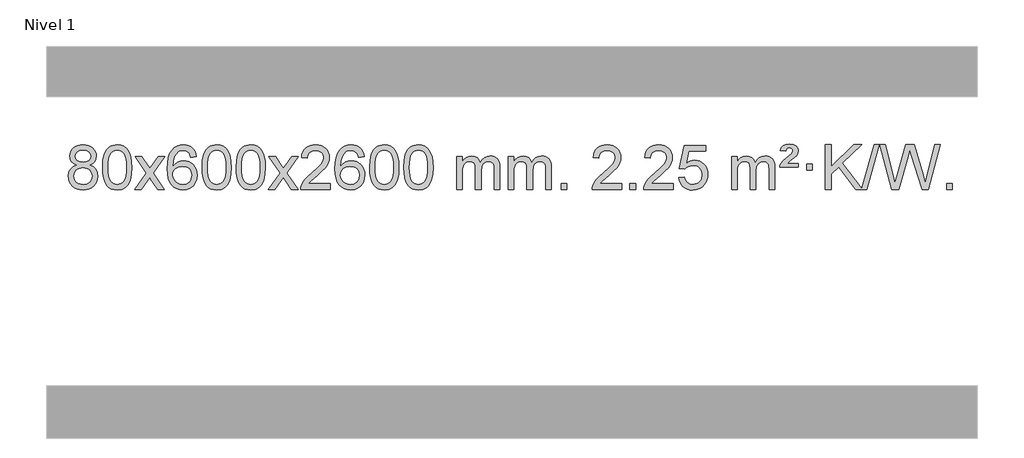
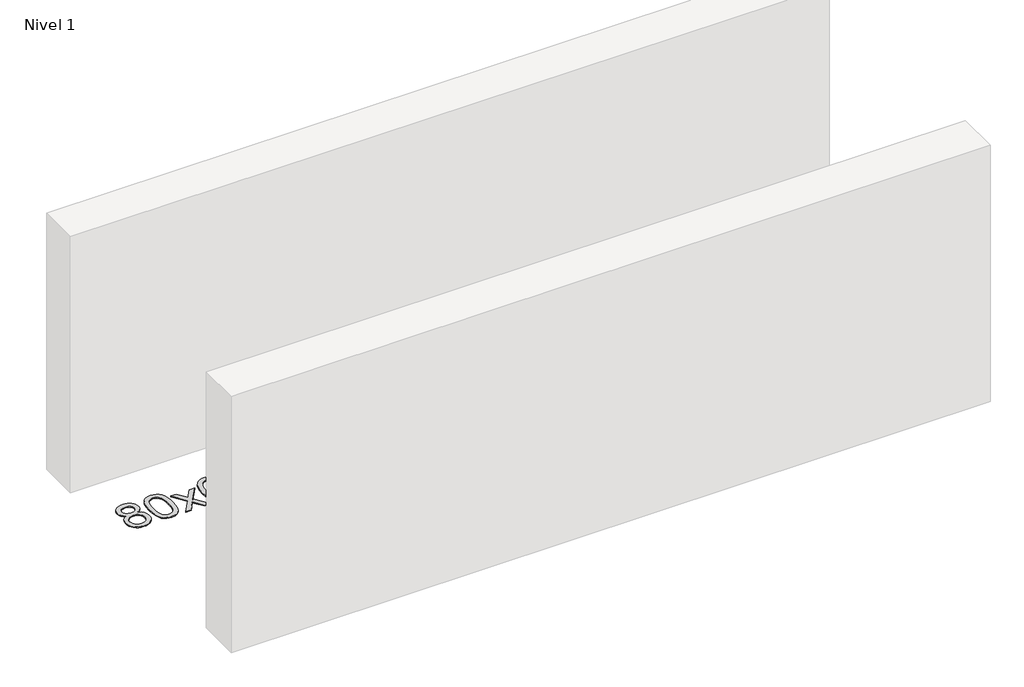
# One storey, part 7 of 8: 1 proxy.
"""IFC4 building model written with IfcOpenShell, lengths in millimetres."""

import ifcopenshell
import ifcopenshell.guid

model = None  # the IFC model being written
_history = None  # IfcOwnerHistory: only IFC2X3 demands one
_inside = {}  # id of a spatial element -> (the spatial element, [elements in it])
_under = {}  # id of a project, library or spatial element -> (it, [spatial elements below it])
_declared = {}  # id of a project -> (the project, [libraries it declares])
_typed = {}  # id of a type object -> (the type object, [elements of that type])
_made_of = {}  # id of a material, layer set ... -> (it, [elements and type objects made of it])


def new_model(schema):
    """Start an empty IFC model of exactly this schema.

    Asked for "IFC4X3", IfcOpenShell would pick the latest addendum, in which some entities
    have other attributes; the version numbers below select the first issue.
    IFC2X3 requires an IfcOwnerHistory on every rooted entity: one is made here for all.
    """
    global model, _history
    if schema == "IFC4X3":
        model = ifcopenshell.file(schema_version=(4, 3, 0, 0))
    else:
        model = ifcopenshell.file(schema=schema)
    _inside.clear()
    _under.clear()
    _declared.clear()
    _typed.clear()
    _made_of.clear()
    _history = None
    if model.schema == "IFC2X3":
        org = make("IfcOrganization", Name="unknown")
        user = make(
            "IfcPersonAndOrganization",
            ThePerson=make("IfcPerson", FamilyName="unknown"),
            TheOrganization=org,
        )
        app = make(
            "IfcApplication",
            ApplicationDeveloper=org,
            Version="unknown",
            ApplicationFullName="unknown",
            ApplicationIdentifier="unknown",
        )
        _history = make(
            "IfcOwnerHistory",
            OwningUser=user,
            OwningApplication=app,
            ChangeAction="ADDED",
            CreationDate=0,
        )
    return model


def make(cls, **values):
    """One entity of the class cls with the attributes given. An attribute that is None is left unset."""
    return model.create_entity(
        cls, **{name: value for name, value in values.items() if value is not None}
    )


def rooted(cls, **values):
    """An entity with a GlobalId (a new one), such as an element, a storey or a relation."""
    return make(cls, GlobalId=ifcopenshell.guid.new(), OwnerHistory=_history, **values)


def si_unit(unit_type, name, prefix=None):
    """IfcSIUnit, for example si_unit("LENGTHUNIT", "METRE", prefix="MILLI")."""
    return make("IfcSIUnit", UnitType=unit_type, Prefix=prefix, Name=name)


def assignment(units):
    """IfcUnitAssignment: the units of a project."""
    return None if units is None else make("IfcUnitAssignment", Units=units)


def point(xyz):
    """IfcCartesianPoint."""
    return None if xyz is None else make("IfcCartesianPoint", Coordinates=xyz)


def direction(xyz):
    """IfcDirection."""
    return None if xyz is None else make("IfcDirection", DirectionRatios=xyz)


def frame(location, z_axis=None, x_axis=None):
    """IfcAxis2Placement3D, a coordinate frame: its origin and axes. An axis left out is left unset."""
    return make(
        "IfcAxis2Placement3D",
        Location=point(location),
        Axis=direction(z_axis),
        RefDirection=direction(x_axis),
    )


def origin():
    """The frame at (0, 0, 0) with its axes left unset."""
    return frame((0.0, 0.0, 0.0))


def origin_with_axes():
    """The frame at (0, 0, 0) with the z axis (0, 0, 1) and the x axis (1, 0, 0) written out."""
    return frame((0.0, 0.0, 0.0), z_axis=(0.0, 0.0, 1.0), x_axis=(1.0, 0.0, 0.0))


def place(relative_to, where):
    """IfcLocalPlacement: puts the frame where relative to a parent placement (None: the world)."""
    return make(
        "IfcLocalPlacement", PlacementRelTo=relative_to, RelativePlacement=where
    )


def context(
    kind, dimensions, precision=None, world=None, true_north=None, identifier=None
):
    """IfcGeometricRepresentationContext, for example the 3D "Model" context."""
    return make(
        "IfcGeometricRepresentationContext",
        ContextIdentifier=identifier,
        ContextType=kind,
        CoordinateSpaceDimension=dimensions,
        Precision=precision,
        WorldCoordinateSystem=world,
        TrueNorth=true_north,
    )


def project(units=None, contexts=None):
    """IfcProject with its units and contexts."""
    return rooted(
        "IfcProject",
        Name="project",
        RepresentationContexts=contexts,
        UnitsInContext=assignment(units),
    )


def spatial(cls, under=None, at=None, **own):
    """A site, building, storey or space (cls), placed at a placement, below another one or the project."""
    s = rooted(cls, ObjectPlacement=at, **own)
    if under is not None:
        _under.setdefault(under.id(), (under, []))[1].append(s)
    return s


def polyline(points):
    """IfcPolyline through the points."""
    return make("IfcPolyline", Points=[point(p) for p in points])


def outline(outer, holes=None, kind="AREA"):
    """IfcArbitraryClosedProfileDef: a profile drawn as a closed curve; with holes, ...WithVoids."""
    if holes is None:
        return make("IfcArbitraryClosedProfileDef", ProfileType=kind, OuterCurve=outer)
    return make(
        "IfcArbitraryProfileDefWithVoids",
        ProfileType=kind,
        OuterCurve=outer,
        InnerCurves=holes,
    )


def extrude(swept, where, along, depth):
    """IfcExtrudedAreaSolid: the profile swept, set in the frame where, extruded along a direction by depth."""
    return make(
        "IfcExtrudedAreaSolid",
        SweptArea=swept,
        Position=where,
        ExtrudedDirection=direction(along),
        Depth=depth,
    )


def shape(context_of_items, identifier, shape_type, items):
    """IfcShapeRepresentation: the items that make up one representation, for example the "Body"."""
    return make(
        "IfcShapeRepresentation",
        ContextOfItems=context_of_items,
        RepresentationIdentifier=identifier,
        RepresentationType=shape_type,
        Items=items,
    )


def made_of(thing, what):
    """Note that an element or type object is made of a material, layer set ...; save() writes the relation."""
    if what is not None:
        _made_of.setdefault(what.id(), (what, []))[1].append(thing)
    return thing


def element(
    cls,
    number,
    at=None,
    inside=None,
    cuts=None,
    type_object=None,
    material=None,
    context=None,
    identifier="Body",
    shape_type=None,
    held_by="IfcProductDefinitionShape",
    body=None,
    shapes=None,
    **own,
):
    """One element of the class cls, such as IfcWall. Its Tag is "e" and its number.

    at: its placement. inside: the storey or other place that contains it. cuts: it is an
    opening in that element (IfcRelVoidsElement). A single representation is given by context,
    identifier, shape_type and body (its items); several are given by shapes. held_by: the class
    of the entity that holds the representations. save() writes the other relations.
    """
    e = rooted(cls, Tag="e%d" % number, ObjectPlacement=at, **own)
    if body is not None:
        shapes = [shape(context, identifier, shape_type, body)]
    if shapes is not None:
        e.Representation = make(held_by, Representations=shapes)
    if inside is not None:
        _inside.setdefault(inside.id(), (inside, []))[1].append(e)
    if cuts is not None:
        rooted(
            "IfcRelVoidsElement", RelatingBuildingElement=cuts, RelatedOpeningElement=e
        )
    if type_object is not None:
        _typed.setdefault(type_object.id(), (type_object, []))[1].append(e)
    return made_of(e, material)


def aggregate(whole, parts):
    """IfcRelAggregates: a whole, such as a stair, and the parts it consists of."""
    return rooted("IfcRelAggregates", RelatingObject=whole, RelatedObjects=parts)


def save(model, path):
    """Write the relations noted so far, then the file.

    IfcRelAggregates (storeys below a building ...), IfcRelContainedInSpatialStructure (elements
    in a storey), IfcRelDefinesByType, IfcRelAssociatesMaterial and IfcRelDeclares: one each for
    every whole, place, type object, material and project.
    """
    for whole, parts in _under.values():
        aggregate(whole, parts)
    for where, things in _inside.values():
        rooted(
            "IfcRelContainedInSpatialStructure",
            RelatedElements=things,
            RelatingStructure=where,
        )
    for kind, things in _typed.values():
        rooted("IfcRelDefinesByType", RelatedObjects=things, RelatingType=kind)
    for what, things in _made_of.values():
        rooted("IfcRelAssociatesMaterial", RelatedObjects=things, RelatingMaterial=what)
    for by, libraries in _declared.values():
        rooted("IfcRelDeclares", RelatingContext=by, RelatedDefinitions=libraries)
    model.write(path)


model = new_model("IFC4")

# Units and contexts
model_context = context("Model", 3, world=origin())
ifc_project = project(units=[si_unit("LENGTHUNIT", "METRE", prefix="MILLI")], contexts=[model_context])

# Site, building, storey
site = spatial("IfcSite", under=ifc_project)
building = spatial("IfcBuilding", under=site)
storey = spatial("IfcBuildingStorey", under=building, Name="Nivel 1", Elevation=0.0)

# Proxy
placement = place(None, origin())
element("IfcBuildingElementProxy", 1, Name="Texto de modelo 1", ObjectType="Texto de modelo 1", at=placement, inside=storey, context=model_context, shape_type="SweptSolid", body=[
    extrude(outline(polyline([(-13206.7901143, 2866.7009514), (-13233.6822881, 2879.9447033), (-13252.5546345, 2897.8973446), (-13263.7014589, 2920.1909935), (-13267.4170671, 2946.457768), (-13265.3937161, 2966.9426637), (-13259.3236632, 2985.7230396), (-13249.2069083, 3002.7988955), (-13235.0434515, 3018.1702316), (-13217.5138744, 3030.8744231), (-13197.2987588, 3039.9488457), (-13174.3981046, 3045.3934992), (-13148.8119118, 3047.2083837), (-13123.1030917, 3045.3505797), (-13100.0307593, 3039.7771674), (-13079.5949144, 3030.488147), (-13061.7955572, 3017.4835185), (-13047.374583, 3001.8117455), (-13037.0738872, 2984.5212918), (-13030.8934696, 2965.6121572), (-13028.8333305, 2945.0843419), (-13032.4998877, 2919.663696), (-13043.4995593, 2897.7501918), (-13061.9549728, 2879.9079151), (-13087.9887553, 2866.7009514), (-13057.074405, 2850.771661), (-13034.5722896, 2827.3130525), (-13020.8502912, 2797.4532972), (-13016.2762917, 2762.3205667), (-13018.5448973, 2737.2678028), (-13025.3507143, 2714.2997036), (-13036.6937424, 2693.416269), (-13052.5739819, 2674.617499), (-13072.1575668, 2659.0806161), (-13094.6106312, 2647.9828426), (-13119.9331752, 2641.3241785), (-13148.1251988, 2639.1046237), (-13176.3172223, 2641.3333755), (-13201.6397663, 2648.0196308), (-13224.0928308, 2659.1633895), (-13243.6764157, 2674.7646518), (-13259.5566551, 2693.6952461), (-13270.8996833, 2714.8270011), (-13277.7055002, 2738.1599166), (-13279.9741058, 2763.6939928), (-13275.2161654, 2800.1878867), (-13260.942344, 2830.2070575), (-13237.8884056, 2852.7214356), (-13206.7901143, 2866.7009514)]), holes=[polyline([(-13217.188912, 2944.98624), (-13212.7375399, 2923.0604731), (-13199.3834234, 2905.5492901), (-13177.5189702, 2894.0713719), (-13147.5365876, 2890.2453991), (-13118.2531808, 2894.0468464), (-13096.7198213, 2905.4511883), (-13083.4760695, 2922.37376), (-13079.0614855, 2942.7298971), (-13083.6232223, 2963.8585864), (-13097.3084325, 2981.3329811), (-13119.1360976, 2993.0684168), (-13148.1251988, 2996.9802287), (-13177.298241, 2993.1542559), (-13199.0891178, 2981.6763377), (-13212.6639635, 2964.8518677), (-13217.188912, 2944.98624)]), polyline([(-13229.7459508, 2765.4598264), (-13227.6490234, 2746.2441235), (-13221.3582413, 2727.6415573), (-13209.745433, 2711.4179613), (-13191.682427, 2699.3391691), (-13170.0509657, 2691.8343764), (-13147.7327913, 2689.3327788), (-13113.5442912, 2694.5934914), (-13099.6506145, 2701.169382), (-13087.8906534, 2710.3756289), (-13071.8509984, 2734.2756959), (-13066.5044468, 2763.8901965), (-13072.0226767, 2794.0074692), (-13088.5773665, 2818.4348337), (-13100.6561587, 2827.8771382), (-13114.8196155, 2834.6216414), (-13149.400523, 2840.017244), (-13183.1107765, 2834.6952178), (-13196.8481034, 2828.0426851), (-13208.5068969, 2818.7291393), (-13224.4361873, 2794.7677586), (-13229.7459508, 2765.4598264)])]), origin_with_axes(), (0.0, 0.0, 1.0), 10.0),
    extrude(outline(polyline([(-12972.326656, 2843.0584019), (-12968.6355733, 2907.3764374), (-12957.5623253, 2958.6714502), (-12939.2172764, 2997.7282554), (-12927.3592135, 3012.9616357), (-12913.7107915, 3025.3316677), (-12898.2260251, 3034.902731), (-12880.8589293, 3041.7392047), (-12840.4777489, 3047.2083837), (-12809.5266104, 3043.9710222), (-12781.8128334, 3034.2589375), (-12758.6362678, 3018.4522744), (-12741.296763, 2996.9311777), (-12728.200164, 2969.8795883), (-12717.7523154, 2937.4814473), (-12710.9097102, 2896.3399775), (-12708.6288419, 2843.0584019), (-12712.2831364, 2779.1082484), (-12723.2460198, 2727.9358628), (-12741.480704, 2688.8422695), (-12753.3111759, 2673.562904), (-12766.9504008, 2661.1284925), (-12782.4535613, 2651.4930499), (-12799.8758394, 2644.6105909), (-12840.4777489, 2639.1046237), (-12868.142475, 2641.4958567), (-12892.6679413, 2648.6695556), (-12914.054148, 2660.6257205), (-12932.3010949, 2677.3643512), (-12949.8122779, 2707.6226453), (-12962.3202657, 2745.3244185), (-12969.8250584, 2790.4696707), (-12972.326656, 2843.0584019)]), holes=[polyline([(-12922.0985009, 2843.1565037), (-12920.626973, 2799.4919766), (-12916.212389, 2764.1477139), (-12908.8547491, 2737.1237157), (-12898.5540532, 2718.4199819), (-12886.0951163, 2705.6943306), (-12872.2627533, 2696.6045796), (-12857.0569642, 2691.150729), (-12840.4777489, 2689.3327788), (-12823.8985337, 2691.1568604), (-12808.6927446, 2696.6291051), (-12794.8603815, 2705.7495129), (-12782.4014446, 2718.5180838), (-12772.1007488, 2737.2524744), (-12764.7431089, 2764.2703412), (-12760.3285249, 2799.5716844), (-12758.8569969, 2843.1565037), (-12760.279474, 2885.6652683), (-12764.5469051, 2920.3871973), (-12771.6592904, 2947.3222907), (-12781.6166297, 2966.4705485), (-12793.8671002, 2979.8185336), (-12807.8588787, 2989.3528086), (-12823.5919654, 2995.0733736), (-12841.0663601, 2996.9802287), (-12857.5597363, 2995.3002342), (-12872.508008, 2990.2602509), (-12885.9111753, 2981.8602787), (-12897.7692383, 2970.1003175), (-12908.4132907, 2949.2536711), (-12916.0161853, 2921.1474867), (-12920.577922, 2885.7817642), (-12922.0985009, 2843.1565037)])]), origin_with_axes(), (0.0, 0.0, 1.0), 10.0),
    extrude(outline(polyline([(-12683.5147643, 2645.3831431), (-12576.1913236, 2793.7131636), (-12677.236245, 2940.4735542), (-12616.8054959, 2940.4735542), (-12568.0488688, 2869.8402111), (-12545.289236, 2836.4855769), (-12525.5707611, 2863.7578955), (-12470.0451053, 2940.4735542), (-12409.6143562, 2940.4735542), (-12515.7605745, 2793.7131636), (-12413.5384308, 2645.3831431), (-12473.9691799, 2645.3831431), (-12535.4790495, 2734.5577388), (-12546.760764, 2750.8426484), (-12623.0840153, 2645.3831431), (-12683.5147643, 2645.3831431)])), origin_with_axes(), (0.0, 0.0, 1.0), 10.0),
    extrude(outline(polyline([(-12124.7265391, 2940.4735542), (-12174.9546942, 2934.1950348), (-12183.0480981, 2959.0883832), (-12193.9864561, 2976.0845313), (-12216.7706143, 2991.7563043), (-12244.312713, 2996.9802287), (-12267.660957, 2993.9390708), (-12289.6357748, 2984.8155973), (-12308.5081212, 2965.5998945), (-12323.9223768, 2939.149179), (-12334.3334372, 2901.7355801), (-12338.1961982, 2849.6312269), (-12318.0485276, 2873.1388863), (-12293.903206, 2889.7058389), (-12267.109134, 2899.5282881), (-12239.0152123, 2902.8024379), (-12214.8821534, 2900.5644891), (-12192.61303, 2893.8506427), (-12172.207842, 2882.6608987), (-12153.6665894, 2866.995257), (-12138.2584652, 2847.7856855), (-12127.2526622, 2825.9641518), (-12120.6491803, 2801.530656), (-12118.4480197, 2774.485198), (-12122.5928236, 2738.5186016), (-12135.027235, 2705.1762301), (-12154.7211845, 2676.8983674), (-12180.6446024, 2656.1252974), (-12211.6202664, 2643.3597922), (-12246.4709541, 2639.1046237), (-12276.4134828, 2641.9250524), (-12303.4558751, 2650.3863383), (-12327.5981311, 2664.4884814), (-12348.8402506, 2684.2314818), (-12366.1582955, 2710.4492053), (-12378.5283276, 2743.9755178), (-12385.9503469, 2784.8104193), (-12388.4243533, 2832.9539097), (-12385.677501, 2886.9283298), (-12377.4369443, 2932.993287), (-12363.7026832, 2971.1487812), (-12344.4747176, 3001.3948126), (-12323.6342026, 3021.43825), (-12299.4704868, 3035.7549909), (-12271.9835704, 3044.3450355), (-12241.1734533, 3047.2083837), (-12218.0398072, 3045.4364188), (-12197.1011903, 3040.120524), (-12178.3576027, 3031.2606992), (-12161.8090442, 3018.8569446), (-12147.9031048, 3003.3261931), (-12137.0873742, 2985.0853775), (-12129.3618523, 2964.1344979), (-12124.7265391, 2940.4735542)]), holes=[polyline([(-12338.1961982, 2775.2700129), (-12335.2899304, 2753.0131522), (-12326.5711271, 2731.7618356), (-12313.0330697, 2713.4903632), (-12295.6690396, 2700.1730349), (-12274.7120286, 2692.0428429), (-12250.3950287, 2689.3327788), (-12217.2488609, 2694.9491106), (-12203.3337244, 2701.9695254), (-12191.1905529, 2711.798106), (-12181.3405125, 2724.0363137), (-12174.3047693, 2738.2856096), (-12168.6761748, 2772.8174663), (-12174.2311929, 2805.963634), (-12181.1749656, 2819.5844649), (-12190.8962473, 2831.2371271), (-12203.0762071, 2840.5721327), (-12217.3960137, 2847.2399939), (-12252.4551679, 2852.5742828), (-12285.5522847, 2847.2399939), (-12313.2292735, 2831.2371271), (-12324.152303, 2819.7377491), (-12331.954467, 2806.5767707), (-12336.6357654, 2791.754192), (-12338.1961982, 2775.2700129)])]), origin_with_axes(), (0.0, 0.0, 1.0), 10.0),
    extrude(outline(polyline([(-12074.4983841, 2843.0584019), (-12070.8073014, 2907.3764374), (-12059.7340533, 2958.6714502), (-12041.3890045, 2997.7282554), (-12029.5309415, 3012.9616357), (-12015.8825195, 3025.3316677), (-12000.3977532, 3034.902731), (-11983.0306573, 3041.7392047), (-11942.649477, 3047.2083837), (-11911.6983385, 3043.9710222), (-11883.9845615, 3034.2589375), (-11860.8079958, 3018.4522744), (-11843.4684911, 2996.9311777), (-11830.3718921, 2969.8795883), (-11819.9240434, 2937.4814473), (-11813.0814383, 2896.3399775), (-11810.8005699, 2843.0584019), (-11814.4548644, 2779.1082484), (-11825.4177479, 2727.9358628), (-11843.6524321, 2688.8422695), (-11855.4829039, 2673.562904), (-11869.1221289, 2661.1284925), (-11884.6252893, 2651.4930499), (-11902.0475674, 2644.6105909), (-11942.649477, 2639.1046237), (-11970.314203, 2641.4958567), (-11994.8396694, 2648.6695556), (-12016.225876, 2660.6257205), (-12034.472823, 2677.3643512), (-12051.9840059, 2707.6226453), (-12064.4919938, 2745.3244185), (-12071.9967865, 2790.4696707), (-12074.4983841, 2843.0584019)]), holes=[polyline([(-12024.270229, 2843.1565037), (-12022.798701, 2799.4919766), (-12018.3841171, 2764.1477139), (-12011.0264772, 2737.1237157), (-12000.7257813, 2718.4199819), (-11988.2668444, 2705.6943306), (-11974.4344814, 2696.6045796), (-11959.2286922, 2691.150729), (-11942.649477, 2689.3327788), (-11926.0702617, 2691.1568604), (-11910.8644726, 2696.6291051), (-11897.0321096, 2705.7495129), (-11884.5731727, 2718.5180838), (-11874.2724768, 2737.2524744), (-11866.9148369, 2764.2703412), (-11862.500253, 2799.5716844), (-11861.028725, 2843.1565037), (-11862.451202, 2885.6652683), (-11866.7186332, 2920.3871973), (-11873.8310184, 2947.3222907), (-11883.7883578, 2966.4705485), (-11896.0388282, 2979.8185336), (-11910.0306067, 2989.3528086), (-11925.7636934, 2995.0733736), (-11943.2380882, 2996.9802287), (-11959.7314643, 2995.3002342), (-11974.679736, 2990.2602509), (-11988.0829034, 2981.8602787), (-11999.9409664, 2970.1003175), (-12010.5850188, 2949.2536711), (-12018.1879133, 2921.1474867), (-12022.7496501, 2885.7817642), (-12024.270229, 2843.1565037)])]), origin_with_axes(), (0.0, 0.0, 1.0), 10.0),
    extrude(outline(polyline([(-11766.8509342, 2843.0584019), (-11763.1598515, 2907.3764374), (-11752.0866035, 2958.6714502), (-11733.7415547, 2997.7282554), (-11721.8834917, 3012.9616357), (-11708.2350697, 3025.3316677), (-11692.7503033, 3034.902731), (-11675.3832075, 3041.7392047), (-11635.0020271, 3047.2083837), (-11604.0508886, 3043.9710222), (-11576.3371117, 3034.2589375), (-11553.160546, 3018.4522744), (-11535.8210412, 2996.9311777), (-11522.7244422, 2969.8795883), (-11512.2765936, 2937.4814473), (-11505.4339884, 2896.3399775), (-11503.1531201, 2843.0584019), (-11506.8074146, 2779.1082484), (-11517.770298, 2727.9358628), (-11536.0049822, 2688.8422695), (-11547.8354541, 2673.562904), (-11561.474679, 2661.1284925), (-11576.9778395, 2651.4930499), (-11594.4001176, 2644.6105909), (-11635.0020271, 2639.1046237), (-11662.6667532, 2641.4958567), (-11687.1922195, 2648.6695556), (-11708.5784262, 2660.6257205), (-11726.8253731, 2677.3643512), (-11744.3365561, 2707.6226453), (-11756.844544, 2745.3244185), (-11764.3493367, 2790.4696707), (-11766.8509342, 2843.0584019)]), holes=[polyline([(-11716.6227791, 2843.1565037), (-11715.1512512, 2799.4919766), (-11710.7366672, 2764.1477139), (-11703.3790273, 2737.1237157), (-11693.0783315, 2718.4199819), (-11680.6193946, 2705.6943306), (-11666.7870315, 2696.6045796), (-11651.5812424, 2691.150729), (-11635.0020271, 2689.3327788), (-11618.4228119, 2691.1568604), (-11603.2170228, 2696.6291051), (-11589.3846597, 2705.7495129), (-11576.9257228, 2718.5180838), (-11566.625027, 2737.2524744), (-11559.2673871, 2764.2703412), (-11554.8528031, 2799.5716844), (-11553.3812752, 2843.1565037), (-11554.8037522, 2885.6652683), (-11559.0711833, 2920.3871973), (-11566.1835686, 2947.3222907), (-11576.1409079, 2966.4705485), (-11588.3913784, 2979.8185336), (-11602.3831569, 2989.3528086), (-11618.1162436, 2995.0733736), (-11635.5906383, 2996.9802287), (-11652.0840145, 2995.3002342), (-11667.0322862, 2990.2602509), (-11680.4354536, 2981.8602787), (-11692.2935165, 2970.1003175), (-11702.9375689, 2949.2536711), (-11710.5404635, 2921.1474867), (-11715.1022002, 2885.7817642), (-11716.6227791, 2843.1565037)])]), origin_with_axes(), (0.0, 0.0, 1.0), 10.0),
    extrude(outline(polyline([(-11478.0390425, 2645.3831431), (-11370.7156018, 2793.7131636), (-11471.7605232, 2940.4735542), (-11411.3297741, 2940.4735542), (-11362.573147, 2869.8402111), (-11339.8135142, 2836.4855769), (-11320.0950393, 2863.7578955), (-11264.5693835, 2940.4735542), (-11204.1386344, 2940.4735542), (-11310.2848527, 2793.7131636), (-11208.062709, 2645.3831431), (-11268.4934581, 2645.3831431), (-11330.0033277, 2734.5577388), (-11341.2850422, 2750.8426484), (-11417.6082935, 2645.3831431), (-11478.0390425, 2645.3831431)])), origin_with_axes(), (0.0, 0.0, 1.0), 10.0),
    extrude(outline(polyline([(-10919.2508173, 2695.6112982), (-10919.2508173, 2645.3831431), (-11182.9486315, 2645.3831431), (-11181.8449855, 2663.0660044), (-11177.5530289, 2680.0131016), (-11165.1676684, 2707.0769537), (-11147.0433487, 2733.3314654), (-11120.8256252, 2760.8122505), (-11084.160053, 2791.5549225), (-11029.9587724, 2839.698413), (-10997.438004, 2875.2358137), (-10981.1776199, 2904.0777621), (-10975.7574918, 2932.1348956), (-10980.8710515, 2957.2857614), (-10996.2117307, 2978.1937214), (-11019.7929666, 2992.2836018), (-11049.6281964, 2996.9802287), (-11080.9594797, 2992.3939664), (-11105.301005, 2978.6351798), (-11121.0095662, 2956.7829893), (-11126.441957, 2927.9165154), (-11176.6701121, 2934.1950348), (-11172.3505643, 2960.1245841), (-11164.4932181, 2982.7799836), (-11153.0980732, 3002.1612334), (-11138.1651299, 3018.2683334), (-11120.0377446, 3030.9296054), (-11099.0592738, 3039.9733712), (-11075.2297176, 3045.3996306), (-11048.5490759, 3047.2083837), (-11021.6293109, 3045.1972955), (-10997.670996, 3039.1640308), (-10976.6741311, 3029.1085896), (-10958.6387163, 3015.0309719), (-10944.1533627, 2997.97351), (-10933.8066816, 2978.9785364), (-10927.5986729, 2958.0460508), (-10925.5293367, 2935.1760535), (-10927.7611542, 2911.1533592), (-10934.4566065, 2887.5475978), (-10946.3391949, 2863.5371663), (-10964.1324207, 2838.3004614), (-10992.4961226, 2808.170926), (-11036.090139, 2769.4820028), (-11093.8721377, 2721.1668341), (-11116.5336686, 2695.6112982), (-10919.2508173, 2695.6112982)])), origin_with_axes(), (0.0, 0.0, 1.0), 10.0),
    extrude(outline(polyline([(-10611.6033675, 2940.4735542), (-10661.8315226, 2934.1950348), (-10669.9249265, 2959.0883832), (-10680.8632845, 2976.0845313), (-10703.6474427, 2991.7563043), (-10731.1895414, 2996.9802287), (-10754.5377854, 2993.9390708), (-10776.5126032, 2984.8155973), (-10795.3849496, 2965.5998945), (-10810.7992052, 2939.149179), (-10821.2102656, 2901.7355801), (-10825.0730266, 2849.6312269), (-10804.925356, 2873.1388863), (-10780.7800343, 2889.7058389), (-10753.9859624, 2899.5282881), (-10725.8920407, 2902.8024379), (-10701.7589818, 2900.5644891), (-10679.4898583, 2893.8506427), (-10659.0846703, 2882.6608987), (-10640.5434178, 2866.995257), (-10625.1352936, 2847.7856855), (-10614.1294905, 2825.9641518), (-10607.5260087, 2801.530656), (-10605.3248481, 2774.485198), (-10609.4696519, 2738.5186016), (-10621.9040634, 2705.1762301), (-10641.5980128, 2676.8983674), (-10667.5214308, 2656.1252974), (-10698.4970948, 2643.3597922), (-10733.3477824, 2639.1046237), (-10763.2903112, 2641.9250524), (-10790.3327035, 2650.3863383), (-10814.4749594, 2664.4884814), (-10835.717079, 2684.2314818), (-10853.0351239, 2710.4492053), (-10865.405156, 2743.9755178), (-10872.8271752, 2784.8104193), (-10875.3011816, 2832.9539097), (-10872.5543294, 2886.9283298), (-10864.3137727, 2932.993287), (-10850.5795116, 2971.1487812), (-10831.351546, 3001.3948126), (-10810.5110309, 3021.43825), (-10786.3473152, 3035.7549909), (-10758.8603988, 3044.3450355), (-10728.0502817, 3047.2083837), (-10704.9166356, 3045.4364188), (-10683.9780187, 3040.120524), (-10665.234431, 3031.2606992), (-10648.6858726, 3018.8569446), (-10634.7799332, 3003.3261931), (-10623.9642025, 2985.0853775), (-10616.2386806, 2964.1344979), (-10611.6033675, 2940.4735542)]), holes=[polyline([(-10825.0730266, 2775.2700129), (-10822.1667588, 2753.0131522), (-10813.4479555, 2731.7618356), (-10799.9098981, 2713.4903632), (-10782.5458679, 2700.1730349), (-10761.5888569, 2692.0428429), (-10737.2718571, 2689.3327788), (-10704.1256893, 2694.9491106), (-10690.2105528, 2701.9695254), (-10678.0673813, 2711.798106), (-10668.2173409, 2724.0363137), (-10661.1815977, 2738.2856096), (-10655.5530032, 2772.8174663), (-10661.1080213, 2805.963634), (-10668.051794, 2819.5844649), (-10677.7730757, 2831.2371271), (-10689.9530354, 2840.5721327), (-10704.2728421, 2847.2399939), (-10739.3319962, 2852.5742828), (-10772.4291131, 2847.2399939), (-10800.1061018, 2831.2371271), (-10811.0291314, 2819.7377491), (-10818.8312954, 2806.5767707), (-10823.5125938, 2791.754192), (-10825.0730266, 2775.2700129)])]), origin_with_axes(), (0.0, 0.0, 1.0), 10.0),
    extrude(outline(polyline([(-10561.3752124, 2843.0584019), (-10557.6841297, 2907.3764374), (-10546.6108817, 2958.6714502), (-10528.2658329, 2997.7282554), (-10516.4077699, 3012.9616357), (-10502.7593479, 3025.3316677), (-10487.2745815, 3034.902731), (-10469.9074857, 3041.7392047), (-10429.5263054, 3047.2083837), (-10398.5751668, 3043.9710222), (-10370.8613899, 3034.2589375), (-10347.6848242, 3018.4522744), (-10330.3453195, 2996.9311777), (-10317.2487204, 2969.8795883), (-10306.8008718, 2937.4814473), (-10299.9582667, 2896.3399775), (-10297.6773983, 2843.0584019), (-10301.3316928, 2779.1082484), (-10312.2945762, 2727.9358628), (-10330.5292605, 2688.8422695), (-10342.3597323, 2673.562904), (-10355.9989573, 2661.1284925), (-10371.5021177, 2651.4930499), (-10388.9243958, 2644.6105909), (-10429.5263054, 2639.1046237), (-10457.1910314, 2641.4958567), (-10481.7164977, 2648.6695556), (-10503.1027044, 2660.6257205), (-10521.3496513, 2677.3643512), (-10538.8608343, 2707.6226453), (-10551.3688222, 2745.3244185), (-10558.8736149, 2790.4696707), (-10561.3752124, 2843.0584019)]), holes=[polyline([(-10511.1470573, 2843.1565037), (-10509.6755294, 2799.4919766), (-10505.2609454, 2764.1477139), (-10497.9033055, 2737.1237157), (-10487.6026097, 2718.4199819), (-10475.1436728, 2705.6943306), (-10461.3113097, 2696.6045796), (-10446.1055206, 2691.150729), (-10429.5263054, 2689.3327788), (-10412.9470901, 2691.1568604), (-10397.741301, 2696.6291051), (-10383.908938, 2705.7495129), (-10371.450001, 2718.5180838), (-10361.1493052, 2737.2524744), (-10353.7916653, 2764.2703412), (-10349.3770813, 2799.5716844), (-10347.9055534, 2843.1565037), (-10349.3280304, 2885.6652683), (-10353.5954615, 2920.3871973), (-10360.7078468, 2947.3222907), (-10370.6651861, 2966.4705485), (-10382.9156566, 2979.8185336), (-10396.9074351, 2989.3528086), (-10412.6405218, 2995.0733736), (-10430.1149165, 2996.9802287), (-10446.6082927, 2995.3002342), (-10461.5565644, 2990.2602509), (-10474.9597318, 2981.8602787), (-10486.8177947, 2970.1003175), (-10497.4618471, 2949.2536711), (-10505.0647417, 2921.1474867), (-10509.6264784, 2885.7817642), (-10511.1470573, 2843.1565037)])]), origin_with_axes(), (0.0, 0.0, 1.0), 10.0),
    extrude(outline(polyline([(-10253.7277626, 2843.0584019), (-10250.0366799, 2907.3764374), (-10238.9634319, 2958.6714502), (-10220.618383, 2997.7282554), (-10208.76032, 3012.9616357), (-10195.111898, 3025.3316677), (-10179.6271317, 3034.902731), (-10162.2600359, 3041.7392047), (-10121.8788555, 3047.2083837), (-10090.927717, 3043.9710222), (-10063.21394, 3034.2589375), (-10040.0373743, 3018.4522744), (-10022.6978696, 2996.9311777), (-10009.6012706, 2969.8795883), (-9999.1534219, 2937.4814473), (-9992.3108168, 2896.3399775), (-9990.0299484, 2843.0584019), (-9993.6842429, 2779.1082484), (-10004.6471264, 2727.9358628), (-10022.8818106, 2688.8422695), (-10034.7122824, 2673.562904), (-10048.3515074, 2661.1284925), (-10063.8546678, 2651.4930499), (-10081.276946, 2644.6105909), (-10121.8788555, 2639.1046237), (-10149.5435816, 2641.4958567), (-10174.0690479, 2648.6695556), (-10195.4552546, 2660.6257205), (-10213.7022015, 2677.3643512), (-10231.2133845, 2707.6226453), (-10243.7213723, 2745.3244185), (-10251.226165, 2790.4696707), (-10253.7277626, 2843.0584019)]), holes=[polyline([(-10203.4996075, 2843.1565037), (-10202.0280795, 2799.4919766), (-10197.6134956, 2764.1477139), (-10190.2558557, 2737.1237157), (-10179.9551598, 2718.4199819), (-10167.4962229, 2705.6943306), (-10153.6638599, 2696.6045796), (-10138.4580708, 2691.150729), (-10121.8788555, 2689.3327788), (-10105.2996403, 2691.1568604), (-10090.0938511, 2696.6291051), (-10076.2614881, 2705.7495129), (-10063.8025512, 2718.5180838), (-10053.5018553, 2737.2524744), (-10046.1442154, 2764.2703412), (-10041.7296315, 2799.5716844), (-10040.2581035, 2843.1565037), (-10041.6805806, 2885.6652683), (-10045.9480117, 2920.3871973), (-10053.060397, 2947.3222907), (-10063.0177363, 2966.4705485), (-10075.2682067, 2979.8185336), (-10089.2599853, 2989.3528086), (-10104.9930719, 2995.0733736), (-10122.4674667, 2996.9802287), (-10138.9608428, 2995.3002342), (-10153.9091146, 2990.2602509), (-10167.3122819, 2981.8602787), (-10179.1703449, 2970.1003175), (-10189.8143973, 2949.2536711), (-10197.4172919, 2921.1474867), (-10201.9790286, 2885.7817642), (-10203.4996075, 2843.1565037)])]), origin_with_axes(), (0.0, 0.0, 1.0), 10.0),
    extrude(outline(polyline([(-9776.5602894, 2645.3831431), (-9776.5602894, 2940.4735542), (-9726.3321343, 2940.4735542), (-9726.3321343, 2891.9131308), (-9711.224447, 2914.2190425), (-9691.8002777, 2931.6934372), (-9668.7218139, 2942.9874145), (-9642.6512431, 2946.7520736), (-9614.716737, 2942.9138381), (-9592.3249862, 2931.3991316), (-9575.5986181, 2912.9682437), (-9564.6602602, 2888.3814637), (-9546.3519995, 2913.9186055), (-9525.4685649, 2932.1594211), (-9502.0099564, 2943.1039105), (-9475.9761739, 2946.7520736), (-9455.8683571, 2945.2345603), (-9438.2192184, 2940.6820207), (-9423.0287577, 2933.0944545), (-9410.296975, 2922.4718619), (-9400.2323367, 2908.6916155), (-9393.0433094, 2891.631088), (-9388.729893, 2871.2902793), (-9387.2920876, 2847.6691895), (-9387.2920876, 2645.3831431), (-9437.5202426, 2645.3831431), (-9437.5202426, 2826.0867792), (-9438.6852023, 2851.139543), (-9442.1800812, 2868.0253266), (-9448.7283807, 2879.589084), (-9459.0536021, 2888.6757693), (-9472.3341421, 2894.5618812), (-9487.7483977, 2896.5239185), (-9514.9594026, 2891.4961979), (-9537.1426869, 2876.4130361), (-9545.7480599, 2864.8431474), (-9551.8947549, 2850.2443635), (-9556.8121109, 2811.9601105), (-9556.8121109, 2645.3831431), (-9607.040266, 2645.3831431), (-9607.040266, 2831.6785855), (-9609.9465338, 2860.0790755), (-9618.6653371, 2880.3371107), (-9634.0060162, 2892.4772166), (-9656.7779118, 2896.5239185), (-9676.1285047, 2893.8261172), (-9693.9585187, 2885.7327133), (-9708.6737985, 2872.4399106), (-9718.6801888, 2854.1439127), (-9724.4191479, 2828.760055), (-9726.3321343, 2794.2036729), (-9726.3321343, 2645.3831431), (-9776.5602894, 2645.3831431)])), origin_with_axes(), (0.0, 0.0, 1.0), 10.0),
    extrude(outline(polyline([(-9311.9498549, 2645.3831431), (-9311.9498549, 2940.4735542), (-9261.7216999, 2940.4735542), (-9261.7216999, 2891.9131308), (-9246.6140126, 2914.2190425), (-9227.1898432, 2931.6934372), (-9204.1113794, 2942.9874145), (-9178.0408087, 2946.7520736), (-9150.1063025, 2942.9138381), (-9127.7145518, 2931.3991316), (-9110.9881837, 2912.9682437), (-9100.0498257, 2888.3814637), (-9081.7415651, 2913.9186055), (-9060.8581305, 2932.1594211), (-9037.3995219, 2943.1039105), (-9011.3657394, 2946.7520736), (-8991.2579227, 2945.2345603), (-8973.608784, 2940.6820207), (-8958.4183233, 2933.0944545), (-8945.6865405, 2922.4718619), (-8935.6219023, 2908.6916155), (-8928.432875, 2891.631088), (-8924.1194586, 2871.2902793), (-8922.6816531, 2847.6691895), (-8922.6816531, 2645.3831431), (-8972.9098082, 2645.3831431), (-8972.9098082, 2826.0867792), (-8974.0747678, 2851.139543), (-8977.5696468, 2868.0253266), (-8984.1179463, 2879.589084), (-8994.4431676, 2888.6757693), (-9007.7237077, 2894.5618812), (-9023.1379633, 2896.5239185), (-9050.3489682, 2891.4961979), (-9072.5322525, 2876.4130361), (-9081.1376255, 2864.8431474), (-9087.2843205, 2850.2443635), (-9092.2016765, 2811.9601105), (-9092.2016765, 2645.3831431), (-9142.4298316, 2645.3831431), (-9142.4298316, 2831.6785855), (-9145.3360993, 2860.0790755), (-9154.0549026, 2880.3371107), (-9169.3955818, 2892.4772166), (-9192.1674773, 2896.5239185), (-9211.5180703, 2893.8261172), (-9229.3480843, 2885.7327133), (-9244.0633641, 2872.4399106), (-9254.0697544, 2854.1439127), (-9259.8087135, 2828.760055), (-9261.7216999, 2794.2036729), (-9261.7216999, 2645.3831431), (-9311.9498549, 2645.3831431)])), origin_with_axes(), (0.0, 0.0, 1.0), 10.0),
    extrude(outline(polyline([(-8834.7823817, 2645.3831431), (-8834.7823817, 2695.6112982), (-8784.5542267, 2695.6112982), (-8784.5542267, 2645.3831431), (-8834.7823817, 2645.3831431)])), origin_with_axes(), (0.0, 0.0, 1.0), 10.0),
    extrude(outline(polyline([(-8288.5511953, 2695.6112982), (-8288.5511953, 2645.3831431), (-8552.2490094, 2645.3831431), (-8551.1453634, 2663.0660044), (-8546.8534068, 2680.0131016), (-8534.4680463, 2707.0769537), (-8516.3437267, 2733.3314654), (-8490.1260032, 2760.8122505), (-8453.460431, 2791.5549225), (-8399.2591504, 2839.698413), (-8366.738382, 2875.2358137), (-8350.4779978, 2904.0777621), (-8345.0578697, 2932.1348956), (-8350.1714295, 2957.2857614), (-8365.5121087, 2978.1937214), (-8389.0933446, 2992.2836018), (-8418.9285744, 2996.9802287), (-8450.2598576, 2992.3939664), (-8474.601383, 2978.6351798), (-8490.3099442, 2956.7829893), (-8495.742335, 2927.9165154), (-8545.97049, 2934.1950348), (-8541.6509423, 2960.1245841), (-8533.793596, 2982.7799836), (-8522.3984512, 3002.1612334), (-8507.4655079, 3018.2683334), (-8489.3381226, 3030.9296054), (-8468.3596518, 3039.9733712), (-8444.5300956, 3045.3996306), (-8417.8494539, 3047.2083837), (-8390.9296889, 3045.1972955), (-8366.9713739, 3039.1640308), (-8345.9745091, 3029.1085896), (-8327.9390942, 3015.0309719), (-8313.4537407, 2997.97351), (-8303.1070596, 2978.9785364), (-8296.8990509, 2958.0460508), (-8294.8297147, 2935.1760535), (-8297.0615321, 2911.1533592), (-8303.7569844, 2887.5475978), (-8315.6395729, 2863.5371663), (-8333.4327987, 2838.3004614), (-8361.7965005, 2808.170926), (-8405.390517, 2769.4820028), (-8463.1725157, 2721.1668341), (-8485.8340466, 2695.6112982), (-8288.5511953, 2695.6112982)])), origin_with_axes(), (0.0, 0.0, 1.0), 10.0),
    extrude(outline(polyline([(-8213.2089627, 2645.3831431), (-8213.2089627, 2695.6112982), (-8162.9808076, 2695.6112982), (-8162.9808076, 2645.3831431), (-8213.2089627, 2645.3831431)])), origin_with_axes(), (0.0, 0.0, 1.0), 10.0),
    extrude(outline(polyline([(-7823.9407608, 2695.6112982), (-7823.9407608, 2645.3831431), (-8087.638575, 2645.3831431), (-8086.534929, 2663.0660044), (-8082.2429724, 2680.0131016), (-8069.8576119, 2707.0769537), (-8051.7332923, 2733.3314654), (-8025.5155687, 2760.8122505), (-7988.8499966, 2791.5549225), (-7934.6487159, 2839.698413), (-7902.1279476, 2875.2358137), (-7885.8675634, 2904.0777621), (-7880.4474353, 2932.1348956), (-7885.560995, 2957.2857614), (-7900.9016742, 2978.1937214), (-7924.4829101, 2992.2836018), (-7954.3181399, 2996.9802287), (-7985.6494232, 2992.3939664), (-8009.9909485, 2978.6351798), (-8025.6995097, 2956.7829893), (-8031.1319005, 2927.9165154), (-8081.3600556, 2934.1950348), (-8077.0405078, 2960.1245841), (-8069.1831616, 2982.7799836), (-8057.7880168, 3002.1612334), (-8042.8550734, 3018.2683334), (-8024.7276881, 3030.9296054), (-8003.7492174, 3039.9733712), (-7979.9196611, 3045.3996306), (-7953.2390194, 3047.2083837), (-7926.3192544, 3045.1972955), (-7902.3609395, 3039.1640308), (-7881.3640746, 3029.1085896), (-7863.3286598, 3015.0309719), (-7848.8433062, 2997.97351), (-7838.4966251, 2978.9785364), (-7832.2886165, 2958.0460508), (-7830.2192802, 2935.1760535), (-7832.4510977, 2911.1533592), (-7839.14655, 2887.5475978), (-7851.0291384, 2863.5371663), (-7868.8223643, 2838.3004614), (-7897.1860661, 2808.170926), (-7940.7800825, 2769.4820028), (-7998.5620812, 2721.1668341), (-8021.2236121, 2695.6112982), (-7823.9407608, 2695.6112982)])), origin_with_axes(), (0.0, 0.0, 1.0), 10.0),
    extrude(outline(polyline([(-7773.7126058, 2752.1179727), (-7723.4844507, 2758.396492), (-7714.2628754, 2728.2424312), (-7698.1741694, 2706.6477581), (-7675.2919093, 2693.6615236), (-7645.6896715, 2689.3327788), (-7626.5598077, 2690.8380293), (-7609.6862869, 2695.3537808), (-7595.0691089, 2702.8800333), (-7582.7082739, 2713.4167868), (-7572.8796932, 2726.4428751), (-7565.8592785, 2741.4371321), (-7560.2429467, 2777.3301521), (-7565.5036592, 2811.1262447), (-7572.0795499, 2825.0444468), (-7581.2857968, 2836.9760862), (-7593.1530569, 2846.5471495), (-7607.7119868, 2853.3836232), (-7644.9048565, 2858.8528022), (-7669.2709073, 2856.6700357), (-7689.001645, 2850.1217362), (-7704.7592571, 2840.0908204), (-7717.2059313, 2827.4602053), (-7767.4340864, 2833.7387247), (-7723.4844507, 3040.9298643), (-7528.8503498, 3040.9298643), (-7528.8503498, 2990.7017093), (-7682.8702784, 2990.7017093), (-7704.3545869, 2880.0428051), (-7686.6288061, 2892.7469967), (-7668.4738297, 2901.8214192), (-7649.8896576, 2907.2660728), (-7630.8762898, 2909.0809573), (-7606.4152028, 2906.8307457), (-7583.9468099, 2900.0801111), (-7563.4711112, 2888.8290534), (-7544.9881066, 2873.0775727), (-7529.6872813, 2853.7882934), (-7518.7581204, 2831.9238402), (-7512.2006238, 2807.4842129), (-7510.0147916, 2780.4694118), (-7511.9829603, 2754.447892), (-7517.8874663, 2730.2412567), (-7527.7283097, 2707.8495059), (-7541.5054904, 2687.2726396), (-7562.3766623, 2666.1991327), (-7586.7304504, 2651.1466277), (-7614.5668547, 2642.1151247), (-7645.8858752, 2639.1046237), (-7671.8062274, 2641.0390699), (-7695.2188507, 2646.8424084), (-7716.1237451, 2656.5146392), (-7734.5209106, 2670.0557623), (-7749.8278672, 2686.7913274), (-7761.4621353, 2706.0468841), (-7769.4237148, 2727.8224326), (-7773.7126058, 2752.1179727)])), origin_with_axes(), (0.0, 0.0, 1.0), 10.0),
    extrude(outline(polyline([(-7296.5451326, 2645.3831431), (-7296.5451326, 2940.4735542), (-7246.3169775, 2940.4735542), (-7246.3169775, 2891.9131308), (-7231.2092902, 2914.2190425), (-7211.7851209, 2931.6934372), (-7188.706657, 2942.9874145), (-7162.6360863, 2946.7520736), (-7134.7015802, 2942.9138381), (-7112.3098294, 2931.3991316), (-7095.5834613, 2912.9682437), (-7084.6451033, 2888.3814637), (-7066.3368427, 2913.9186055), (-7045.4534081, 2932.1594211), (-7021.9947996, 2943.1039105), (-6995.961017, 2946.7520736), (-6975.8532003, 2945.2345603), (-6958.2040616, 2940.6820207), (-6943.0136009, 2933.0944545), (-6930.2818182, 2922.4718619), (-6920.2171799, 2908.6916155), (-6913.0281526, 2891.631088), (-6908.7147362, 2871.2902793), (-6907.2769307, 2847.6691895), (-6907.2769307, 2645.3831431), (-6957.5050858, 2645.3831431), (-6957.5050858, 2826.0867792), (-6958.6700455, 2851.139543), (-6962.1649244, 2868.0253266), (-6968.7132239, 2879.589084), (-6979.0384453, 2888.6757693), (-6992.3189853, 2894.5618812), (-7007.7332409, 2896.5239185), (-7034.9442458, 2891.4961979), (-7057.1275301, 2876.4130361), (-7065.7329031, 2864.8431474), (-7071.8795981, 2850.2443635), (-7076.7969541, 2811.9601105), (-7076.7969541, 2645.3831431), (-7127.0251092, 2645.3831431), (-7127.0251092, 2831.6785855), (-7129.9313769, 2860.0790755), (-7138.6501802, 2880.3371107), (-7153.9908594, 2892.4772166), (-7176.7627549, 2896.5239185), (-7196.1133479, 2893.8261172), (-7213.9433619, 2885.7327133), (-7228.6586417, 2872.4399106), (-7238.665032, 2854.1439127), (-7244.4039911, 2828.760055), (-7246.3169775, 2794.2036729), (-7246.3169775, 2645.3831431), (-7296.5451326, 2645.3831431)])), origin_with_axes(), (0.0, 0.0, 1.0), 10.0),
    extrude(outline(polyline([(-6863.327295, 2846.2957634), (-6859.5013223, 2862.1146892), (-6851.1626637, 2877.9826659), (-6829.6538298, 2903.121269), (-6797.6971471, 2930.8595714), (-6753.5513077, 2968.2363821), (-6746.414397, 2979.7633513), (-6744.0354267, 2991.5846261), (-6745.9238876, 3003.675681), (-6751.5892704, 3013.461342), (-6760.9579985, 3019.9360652), (-6773.9564957, 3022.0943062), (-6786.3909071, 3020.4756254), (-6795.2446005, 3015.6195831), (-6801.6702727, 3006.1527531), (-6806.8206206, 2990.7017093), (-6857.0487757, 2996.9802287), (-6846.2085195, 3022.1924081), (-6829.5802534, 3039.752642), (-6805.8150765, 3050.0533378), (-6773.5640882, 3053.4869031), (-6737.7814328, 3049.354362), (-6713.0352373, 3036.9567388), (-6698.6142631, 3018.6239527), (-6693.8072717, 2996.6859231), (-6697.9030245, 2973.7791375), (-6710.1902832, 2952.1476762), (-6730.7180985, 2932.3310994), (-6767.187467, 2904.2739659), (-6792.7920538, 2877.6883604), (-6693.8072717, 2877.6883604), (-6693.8072717, 2846.2957634), (-6863.327295, 2846.2957634)])), origin_with_axes(), (0.0, 0.0, 1.0), 10.0),
    extrude(outline(polyline([(-6618.4650391, 2821.1816859), (-6618.4650391, 2871.409841), (-6568.236884, 2871.409841), (-6568.236884, 2821.1816859), (-6618.4650391, 2821.1816859)])), origin_with_axes(), (0.0, 0.0, 1.0), 10.0),
    extrude(outline(polyline([(-6177.595256, 2645.3831431), (-6331.0265735, 2848.061597), (-6398.7168606, 2783.5105696), (-6398.7168606, 2645.3831431), (-6448.9450157, 2645.3831431), (-6448.9450157, 3047.2083837), (-6398.7168606, 3047.2083837), (-6398.7168606, 2850.5141436), (-6192.7029433, 3047.2083837), (-6122.4620077, 3047.2083837), (-6295.4155964, 2882.0048424), (-6120.7619865, 2651.4276629), (-6009.4486588, 3047.2083837), (-5964.125597, 3047.2083837), (-6077.1389459, 2645.3831431), (-6116.1834883, 2645.3831431), (-6122.4620077, 2645.3831431), (-6177.595256, 2645.3831431)])), origin_with_axes(), (0.0, 0.0, 1.0), 10.0),
    extrude(outline(polyline([(-5849.6407201, 2645.3831431), (-5959.2205037, 3047.2083837), (-5907.4227188, 3047.2083837), (-5843.85271, 2783.1181621), (-5824.2323369, 2701.595512), (-5803.2385377, 2773.700383), (-5723.5798231, 3047.2083837), (-5648.9243035, 3047.2083837), (-5591.0442029, 2848.9445138), (-5566.2489564, 2775.3681148), (-5547.977484, 2701.595512), (-5528.9457221, 2780.7637174), (-5464.7871022, 3047.2083837), (-5412.9893173, 3047.2083837), (-5522.6672028, 2645.3831431), (-5576.3289231, 2645.3831431), (-5672.6649549, 2955.3850377), (-5686.1049105, 2998.6479604), (-5701.2125977, 2946.5558698), (-5789.0137673, 2645.3831431), (-5849.6407201, 2645.3831431)])), origin_with_axes(), (0.0, 0.0, 1.0), 10.0),
    extrude(outline(polyline([(-5356.4826428, 2645.3831431), (-5356.4826428, 2695.6112982), (-5306.2544877, 2695.6112982), (-5306.2544877, 2645.3831431), (-5356.4826428, 2645.3831431)])), origin_with_axes(), (0.0, 0.0, 1.0), 10.0),
])

save(model, "model.ifc")
